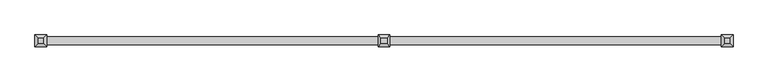
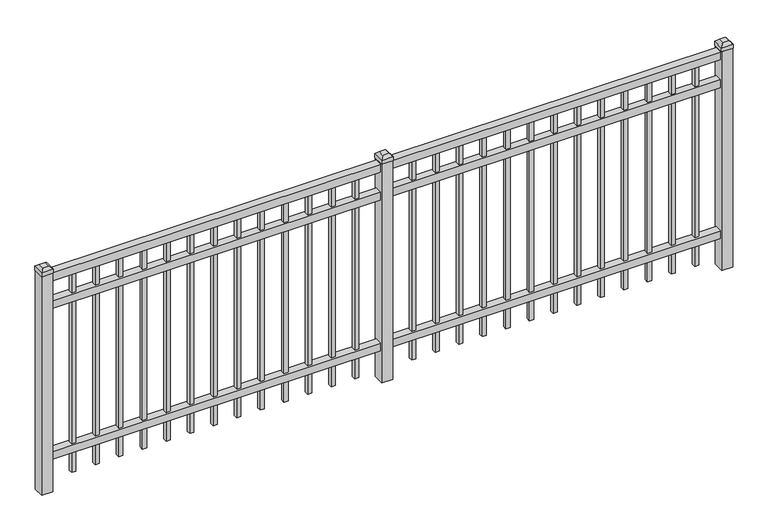
"""IFC4 building model written with IfcOpenShell, lengths in millimetres: railing geometry."""

from ifc_helpers import new_model, si_unit, frame, origin, origin_with_axes, place, context, project, spatial, polyline, outline, extrude, faceted_brep, source, transform, mapped, element, save


def railing_2eccae08(model_context):
    return source(origin(), model_context, "Body", "SolidModel", [
        extrude(outline(polyline([(-85729.318087, -652.7195174), (-85729.318087, -617.7945174), (-82579.718087, -617.7945174), (-82579.718087, -652.7195174), (-85729.318087, -652.7195174)])), frame((0.0, 0.0, 1028.7), z_axis=(0.0, 0.0, 1.0), x_axis=(1.0, 0.0, 0.0)), (0.0, 0.0, 1.0), 38.1),
        extrude(outline(polyline([(-85729.318087, -652.7195174), (-85729.318087, -617.7945174), (-82579.718087, -617.7945174), (-82579.718087, -652.7195174), (-85729.318087, -652.7195174)])), frame((0.0, 0.0, 892.175), z_axis=(0.0, 0.0, 1.0), x_axis=(1.0, 0.0, 0.0)), (0.0, 0.0, 1.0), 38.1),
        extrude(outline(polyline([(-85729.318087, -652.7195174), (-85729.318087, -617.7945174), (-82579.718087, -617.7945174), (-82579.718087, -652.7195174), (-85729.318087, -652.7195174)])), frame((0.0, 0.0, 152.4), z_axis=(0.0, 0.0, 1.0), x_axis=(1.0, 0.0, 0.0)), (0.0, 0.0, 1.0), 38.1),
        extrude(outline(polyline([(-82811.2285036, -625.7320174), (-82811.2285036, -644.7820174), (-82830.2785036, -644.7820174), (-82830.2785036, -625.7320174), (-82811.2285036, -625.7320174)])), frame((0.0, 0.0, 50.8), z_axis=(0.0, 0.0, 1.0), x_axis=(1.0, 0.0, 0.0)), (0.0, 0.0, 1.0), 977.9),
        extrude(outline(polyline([(-82920.5014203, -625.7320174), (-82920.5014203, -644.7820174), (-82939.5514203, -644.7820174), (-82939.5514203, -625.7320174), (-82920.5014203, -625.7320174)])), frame((0.0, 0.0, 50.8), z_axis=(0.0, 0.0, 1.0), x_axis=(1.0, 0.0, 0.0)), (0.0, 0.0, 1.0), 977.9),
        extrude(outline(polyline([(-83029.774337, -625.7320174), (-83029.774337, -644.7820174), (-83048.824337, -644.7820174), (-83048.824337, -625.7320174), (-83029.774337, -625.7320174)])), frame((0.0, 0.0, 50.8), z_axis=(0.0, 0.0, 1.0), x_axis=(1.0, 0.0, 0.0)), (0.0, 0.0, 1.0), 977.9),
        extrude(outline(polyline([(-83139.0472536, -625.7320174), (-83139.0472536, -644.7820174), (-83158.0972536, -644.7820174), (-83158.0972536, -625.7320174), (-83139.0472536, -625.7320174)])), frame((0.0, 0.0, 50.8), z_axis=(0.0, 0.0, 1.0), x_axis=(1.0, 0.0, 0.0)), (0.0, 0.0, 1.0), 977.9),
        extrude(outline(polyline([(-83248.3201703, -625.7320174), (-83248.3201703, -644.7820174), (-83267.3701703, -644.7820174), (-83267.3701703, -625.7320174), (-83248.3201703, -625.7320174)])), frame((0.0, 0.0, 50.8), z_axis=(0.0, 0.0, 1.0), x_axis=(1.0, 0.0, 0.0)), (0.0, 0.0, 1.0), 977.9),
        extrude(outline(polyline([(-83357.593087, -625.7320174), (-83357.593087, -644.7820174), (-83376.643087, -644.7820174), (-83376.643087, -625.7320174), (-83357.593087, -625.7320174)])), frame((0.0, 0.0, 50.8), z_axis=(0.0, 0.0, 1.0), x_axis=(1.0, 0.0, 0.0)), (0.0, 0.0, 1.0), 977.9),
        extrude(outline(polyline([(-83466.8660036, -625.7320174), (-83466.8660036, -644.7820174), (-83485.9160036, -644.7820174), (-83485.9160036, -625.7320174), (-83466.8660036, -625.7320174)])), frame((0.0, 0.0, 50.8), z_axis=(0.0, 0.0, 1.0), x_axis=(1.0, 0.0, 0.0)), (0.0, 0.0, 1.0), 977.9),
        extrude(outline(polyline([(-83576.1389203, -625.7320174), (-83576.1389203, -644.7820174), (-83595.1889203, -644.7820174), (-83595.1889203, -625.7320174), (-83576.1389203, -625.7320174)])), frame((0.0, 0.0, 50.8), z_axis=(0.0, 0.0, 1.0), x_axis=(1.0, 0.0, 0.0)), (0.0, 0.0, 1.0), 977.9),
        extrude(outline(polyline([(-83685.411837, -625.7320174), (-83685.411837, -644.7820174), (-83704.461837, -644.7820174), (-83704.461837, -625.7320174), (-83685.411837, -625.7320174)])), frame((0.0, 0.0, 50.8), z_axis=(0.0, 0.0, 1.0), x_axis=(1.0, 0.0, 0.0)), (0.0, 0.0, 1.0), 977.9),
        extrude(outline(polyline([(-83794.6847536, -625.7320174), (-83794.6847536, -644.7820174), (-83813.7347536, -644.7820174), (-83813.7347536, -625.7320174), (-83794.6847536, -625.7320174)])), frame((0.0, 0.0, 50.8), z_axis=(0.0, 0.0, 1.0), x_axis=(1.0, 0.0, 0.0)), (0.0, 0.0, 1.0), 977.9),
        extrude(outline(polyline([(-83903.9576703, -625.7320174), (-83903.9576703, -644.7820174), (-83923.0076703, -644.7820174), (-83923.0076703, -625.7320174), (-83903.9576703, -625.7320174)])), frame((0.0, 0.0, 50.8), z_axis=(0.0, 0.0, 1.0), x_axis=(1.0, 0.0, 0.0)), (0.0, 0.0, 1.0), 977.9),
        extrude(outline(polyline([(-82701.955587, -625.7320174), (-82701.955587, -644.7820174), (-82721.005587, -644.7820174), (-82721.005587, -625.7320174), (-82701.955587, -625.7320174)])), frame((0.0, 0.0, 50.8), z_axis=(0.0, 0.0, 1.0), x_axis=(1.0, 0.0, 0.0)), (0.0, 0.0, 1.0), 977.9),
        extrude(outline(polyline([(-84013.230587, -625.7320174), (-84013.230587, -644.7820174), (-84032.280587, -644.7820174), (-84032.280587, -625.7320174), (-84013.230587, -625.7320174)])), frame((0.0, 0.0, 50.8), z_axis=(0.0, 0.0, 1.0), x_axis=(1.0, 0.0, 0.0)), (0.0, 0.0, 1.0), 977.9),
        faceted_brep([(-84181.505587, -608.2695174, 1092.2), (-84181.505587, -608.2695174, 1073.15), (-84181.505587, -662.2445174, 1073.15), (-84181.505587, -662.2445174, 1092.2), (-84168.805587, -620.9695174, 1104.9), (-84168.805587, -649.5445174, 1104.9), (-84127.530587, -662.2445174, 1073.15), (-84127.530587, -662.2445174, 1092.2), (-84140.230587, -649.5445174, 1104.9), (-84127.530587, -608.2695174, 1073.15), (-84127.530587, -608.2695174, 1092.2), (-84140.230587, -620.9695174, 1104.9)], [[[0, 1, 2, 3]], [[4, 0, 3, 5]], [[3, 2, 6, 7]], [[5, 3, 7, 8]], [[7, 6, 9, 10]], [[8, 7, 10, 11]], [[10, 9, 1, 0]], [[11, 10, 0, 4]], [[5, 8, 11, 4]], [[1, 9, 6, 2]]]),
        extrude(outline(polyline([(-84129.118087, -609.8570174), (-84129.118087, -660.6570174), (-84179.918087, -660.6570174), (-84179.918087, -609.8570174), (-84129.118087, -609.8570174)])), origin_with_axes(), (0.0, 0.0, 1.0), 1073.15),
        extrude(outline(polyline([(-84386.0285036, -625.7320174), (-84386.0285036, -644.7820174), (-84405.0785036, -644.7820174), (-84405.0785036, -625.7320174), (-84386.0285036, -625.7320174)])), frame((0.0, 0.0, 50.8), z_axis=(0.0, 0.0, 1.0), x_axis=(1.0, 0.0, 0.0)), (0.0, 0.0, 1.0), 977.9),
        extrude(outline(polyline([(-84495.3014203, -625.7320174), (-84495.3014203, -644.7820174), (-84514.3514203, -644.7820174), (-84514.3514203, -625.7320174), (-84495.3014203, -625.7320174)])), frame((0.0, 0.0, 50.8), z_axis=(0.0, 0.0, 1.0), x_axis=(1.0, 0.0, 0.0)), (0.0, 0.0, 1.0), 977.9),
        extrude(outline(polyline([(-84604.574337, -625.7320174), (-84604.574337, -644.7820174), (-84623.624337, -644.7820174), (-84623.624337, -625.7320174), (-84604.574337, -625.7320174)])), frame((0.0, 0.0, 50.8), z_axis=(0.0, 0.0, 1.0), x_axis=(1.0, 0.0, 0.0)), (0.0, 0.0, 1.0), 977.9),
        extrude(outline(polyline([(-84713.8472536, -625.7320174), (-84713.8472536, -644.7820174), (-84732.8972536, -644.7820174), (-84732.8972536, -625.7320174), (-84713.8472536, -625.7320174)])), frame((0.0, 0.0, 50.8), z_axis=(0.0, 0.0, 1.0), x_axis=(1.0, 0.0, 0.0)), (0.0, 0.0, 1.0), 977.9),
        extrude(outline(polyline([(-84823.1201703, -625.7320174), (-84823.1201703, -644.7820174), (-84842.1701703, -644.7820174), (-84842.1701703, -625.7320174), (-84823.1201703, -625.7320174)])), frame((0.0, 0.0, 50.8), z_axis=(0.0, 0.0, 1.0), x_axis=(1.0, 0.0, 0.0)), (0.0, 0.0, 1.0), 977.9),
        extrude(outline(polyline([(-84932.393087, -625.7320174), (-84932.393087, -644.7820174), (-84951.443087, -644.7820174), (-84951.443087, -625.7320174), (-84932.393087, -625.7320174)])), frame((0.0, 0.0, 50.8), z_axis=(0.0, 0.0, 1.0), x_axis=(1.0, 0.0, 0.0)), (0.0, 0.0, 1.0), 977.9),
        extrude(outline(polyline([(-85041.6660036, -625.7320174), (-85041.6660036, -644.7820174), (-85060.7160036, -644.7820174), (-85060.7160036, -625.7320174), (-85041.6660036, -625.7320174)])), frame((0.0, 0.0, 50.8), z_axis=(0.0, 0.0, 1.0), x_axis=(1.0, 0.0, 0.0)), (0.0, 0.0, 1.0), 977.9),
        extrude(outline(polyline([(-85150.9389203, -625.7320174), (-85150.9389203, -644.7820174), (-85169.9889203, -644.7820174), (-85169.9889203, -625.7320174), (-85150.9389203, -625.7320174)])), frame((0.0, 0.0, 50.8), z_axis=(0.0, 0.0, 1.0), x_axis=(1.0, 0.0, 0.0)), (0.0, 0.0, 1.0), 977.9),
        extrude(outline(polyline([(-85260.211837, -625.7320174), (-85260.211837, -644.7820174), (-85279.261837, -644.7820174), (-85279.261837, -625.7320174), (-85260.211837, -625.7320174)])), frame((0.0, 0.0, 50.8), z_axis=(0.0, 0.0, 1.0), x_axis=(1.0, 0.0, 0.0)), (0.0, 0.0, 1.0), 977.9),
        extrude(outline(polyline([(-85369.4847536, -625.7320174), (-85369.4847536, -644.7820174), (-85388.5347536, -644.7820174), (-85388.5347536, -625.7320174), (-85369.4847536, -625.7320174)])), frame((0.0, 0.0, 50.8), z_axis=(0.0, 0.0, 1.0), x_axis=(1.0, 0.0, 0.0)), (0.0, 0.0, 1.0), 977.9),
        extrude(outline(polyline([(-85478.7576703, -625.7320174), (-85478.7576703, -644.7820174), (-85497.8076703, -644.7820174), (-85497.8076703, -625.7320174), (-85478.7576703, -625.7320174)])), frame((0.0, 0.0, 50.8), z_axis=(0.0, 0.0, 1.0), x_axis=(1.0, 0.0, 0.0)), (0.0, 0.0, 1.0), 977.9),
        extrude(outline(polyline([(-84276.755587, -625.7320174), (-84276.755587, -644.7820174), (-84295.805587, -644.7820174), (-84295.805587, -625.7320174), (-84276.755587, -625.7320174)])), frame((0.0, 0.0, 50.8), z_axis=(0.0, 0.0, 1.0), x_axis=(1.0, 0.0, 0.0)), (0.0, 0.0, 1.0), 977.9),
        extrude(outline(polyline([(-85588.030587, -625.7320174), (-85588.030587, -644.7820174), (-85607.080587, -644.7820174), (-85607.080587, -625.7320174), (-85588.030587, -625.7320174)])), frame((0.0, 0.0, 50.8), z_axis=(0.0, 0.0, 1.0), x_axis=(1.0, 0.0, 0.0)), (0.0, 0.0, 1.0), 977.9),
        faceted_brep([(-82606.705587, -608.2695174, 1092.2), (-82606.705587, -608.2695174, 1073.15), (-82606.705587, -662.2445174, 1073.15), (-82606.705587, -662.2445174, 1092.2), (-82594.005587, -620.9695174, 1104.9), (-82594.005587, -649.5445174, 1104.9), (-82552.730587, -662.2445174, 1073.15), (-82552.730587, -662.2445174, 1092.2), (-82565.430587, -649.5445174, 1104.9), (-82552.730587, -608.2695174, 1073.15), (-82552.730587, -608.2695174, 1092.2), (-82565.430587, -620.9695174, 1104.9)], [[[0, 1, 2, 3]], [[4, 0, 3, 5]], [[3, 2, 6, 7]], [[5, 3, 7, 8]], [[7, 6, 9, 10]], [[8, 7, 10, 11]], [[10, 9, 1, 0]], [[11, 10, 0, 4]], [[5, 8, 11, 4]], [[1, 9, 6, 2]]]),
        extrude(outline(polyline([(-82554.318087, -609.8570174), (-82554.318087, -660.6570174), (-82605.118087, -660.6570174), (-82605.118087, -609.8570174), (-82554.318087, -609.8570174)])), origin_with_axes(), (0.0, 0.0, 1.0), 1073.15),
        faceted_brep([(-85756.305587, -608.2695174, 1092.2), (-85756.305587, -608.2695174, 1073.15), (-85756.305587, -662.2445174, 1073.15), (-85756.305587, -662.2445174, 1092.2), (-85743.605587, -620.9695174, 1104.9), (-85743.605587, -649.5445174, 1104.9), (-85702.330587, -662.2445174, 1073.15), (-85702.330587, -662.2445174, 1092.2), (-85715.030587, -649.5445174, 1104.9), (-85702.330587, -608.2695174, 1073.15), (-85702.330587, -608.2695174, 1092.2), (-85715.030587, -620.9695174, 1104.9)], [[[0, 1, 2, 3]], [[4, 0, 3, 5]], [[3, 2, 6, 7]], [[5, 3, 7, 8]], [[7, 6, 9, 10]], [[8, 7, 10, 11]], [[10, 9, 1, 0]], [[11, 10, 0, 4]], [[5, 8, 11, 4]], [[1, 9, 6, 2]]]),
        extrude(outline(polyline([(-85703.918087, -609.8570174), (-85703.918087, -660.6570174), (-85754.718087, -660.6570174), (-85754.718087, -609.8570174), (-85703.918087, -609.8570174)])), origin_with_axes(), (0.0, 0.0, 1.0), 1073.15),
    ])


if __name__ == "__main__":
    model = new_model("IFC4")
    model_context = context("Model", 3, world=origin())
    ifc_project = project(units=[si_unit("LENGTHUNIT", "METRE", prefix="MILLI")], contexts=[model_context])
    site = spatial("IfcSite", under=ifc_project)
    building = spatial("IfcBuilding", under=site)
    placement = place(None, origin())
    railing_shape = railing_2eccae08(model_context)
    element("IfcRailing", 1, at=placement, inside=building, context=model_context, shape_type="MappedRepresentation", body=[
        mapped(railing_shape, transform((0.0, 0.0, 0.0), x_axis=(1.0, 0.0, 0.0), y_axis=(0.0, 1.0, 0.0), z_axis=(0.0, 0.0, 1.0))),
    ])
    save(model, "model.ifc")
